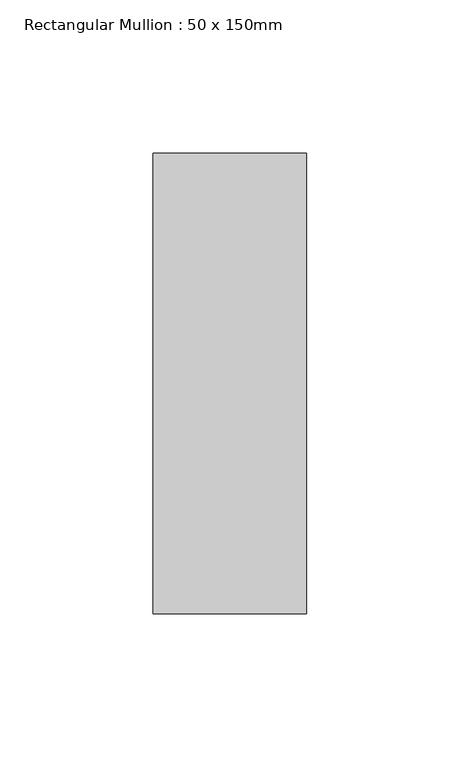
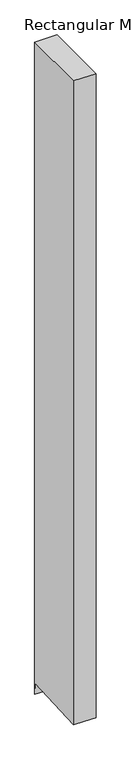
"""IFC4 building model written with IfcOpenShell, lengths in millimetres: member geometry, Rectangular Mullion : 50 x 150mm."""

from ifc_helpers import new_model, si_unit, origin, place, context, project, spatial, faceted_brep, source, transform, mapped, element, save


def rectangular_mullion_50_x_150mm_912e98c7(model_context):
    return source(origin(), model_context, "Body", "Brep", [
        faceted_brep([(25.0, 75.0, 0.0), (-25.0, 75.0, 0.0), (-25.0, -75.0, 0.0), (25.0, -75.0, 0.0), (25.0, 75.0, -1536.5231168), (0.0, 75.0, -1536.5231168), (-25.0, 75.0, -1536.5231168), (-25.0, 73.5786699, -1509.5834682), (-25.0, -75.0, -1517.422447), (0.0, -75.0, -1517.422447), (25.0, -75.0, -1517.422447), (25.0, 73.5786699, -1509.5834682), (0.0, 73.5786699, -1509.5834682)], [[[0, 1, 2, 3]], [[1, 0, 4, 5, 6]], [[2, 1, 6, 7, 8]], [[3, 2, 8, 9, 10]], [[0, 3, 10, 11, 4]], [[4, 11, 12, 5]], [[11, 10, 9, 12]], [[9, 8, 7, 12]], [[7, 6, 5, 12]]]),
    ])


if __name__ == "__main__":
    model = new_model("IFC4")
    model_context = context("Model", 3, world=origin())
    ifc_project = project(units=[si_unit("LENGTHUNIT", "METRE", prefix="MILLI")], contexts=[model_context])
    site = spatial("IfcSite", under=ifc_project)
    building = spatial("IfcBuilding", under=site)
    placement = place(None, origin())
    rectangular_mullion_50_x_150mm_shape = rectangular_mullion_50_x_150mm_912e98c7(model_context)
    element("IfcMember", 1, ObjectType="Rectangular Mullion : 50 x 150mm", at=placement, inside=building, context=model_context, shape_type="MappedRepresentation", body=[
        mapped(rectangular_mullion_50_x_150mm_shape, transform((0.0, 0.0, 0.0), x_axis=(1.0, 0.0, 0.0), y_axis=(0.0, 1.0, 0.0), z_axis=(0.0, 0.0, 1.0))),
    ])
    save(model, "model.ifc")
